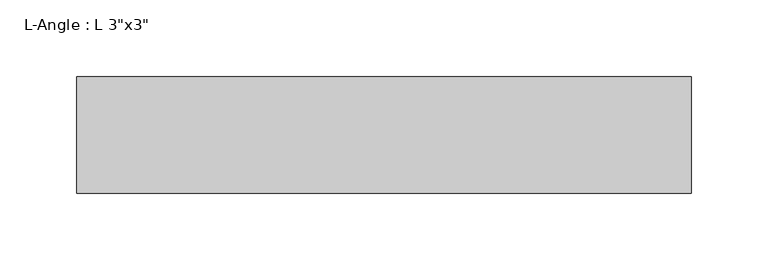
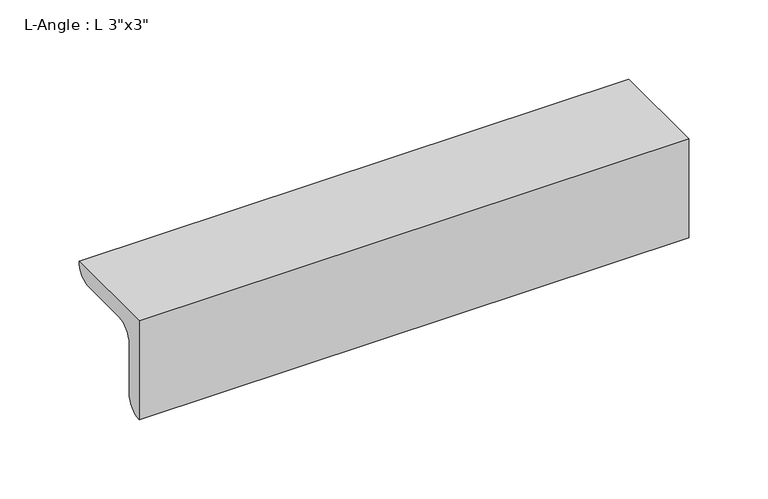
"""IFC4 building model written with IfcOpenShell, lengths in millimetres: beam geometry."""

from ifc_helpers import new_model, si_unit, point, frame, frame_2d, origin, place, context, project, spatial, polyline, circle_curve, trimmed, segment, composite_curve, outline, extrude, source, transform, mapped, element, save


def beam_10d6f9ba(model_context):
    return source(origin(), model_context, "Body", "SweptSolid", [
        extrude(outline(composite_curve([segment(polyline([(-24.9039062, 50.3039062), (51.2960938, 50.3039062)]), True, "CONTINUOUS"), segment(trimmed(circle_curve(frame_2d((38.5960938, 50.3039062)), 12.7), [point((51.2960938, 50.3039062))], [point((38.5960938, 37.6039062))], False, "CARTESIAN"), True, "CONTINUOUS"), segment(polyline([(38.5960938, 37.6039062), (0.4960938, 37.6039062)]), True, "CONTINUOUS"), segment(trimmed(circle_curve(frame_2d((0.4960938, 24.9039062)), 12.7), [point((0.4960938, 37.6039062))], [point((-12.2039062, 24.9039062))], True, "CARTESIAN"), True, "CONTINUOUS"), segment(polyline([(-12.2039062, 24.9039062), (-12.2039062, -13.1960938)]), True, "CONTINUOUS"), segment(trimmed(circle_curve(frame_2d((-24.9039062, -13.1960938)), 12.7), [point((-12.2039062, -13.1960938))], [point((-24.9039062, -25.8960938))], False, "CARTESIAN"), True, "CONTINUOUS"), segment(polyline([(-24.9039062, -25.8960938), (-24.9039062, 50.3039062)]), True, "CONTINUOUS")], self_intersect=False)), frame((-200.7282688, 0.0, 0.0), z_axis=(1.0, 0.0, 0.0), x_axis=(0.0, 1.0, 0.0)), (0.0, 0.0, 1.0), 401.4565376),
    ])


if __name__ == "__main__":
    model = new_model("IFC4")
    model_context = context("Model", 3, world=origin())
    ifc_project = project(units=[si_unit("LENGTHUNIT", "METRE", prefix="MILLI")], contexts=[model_context])
    site = spatial("IfcSite", under=ifc_project)
    building = spatial("IfcBuilding", under=site)
    placement = place(None, origin())
    beam_shape = beam_10d6f9ba(model_context)
    element("IfcBeam", 1, ObjectType="L-Angle : L 3\"x3\"", at=placement, inside=building, context=model_context, shape_type="MappedRepresentation", body=[
        mapped(beam_shape, transform((0.0, 0.0, 0.0), x_axis=(1.0, 0.0, 0.0), y_axis=(0.0, 1.0, 0.0), z_axis=(0.0, 0.0, 1.0))),
    ])
    save(model, "model.ifc")
